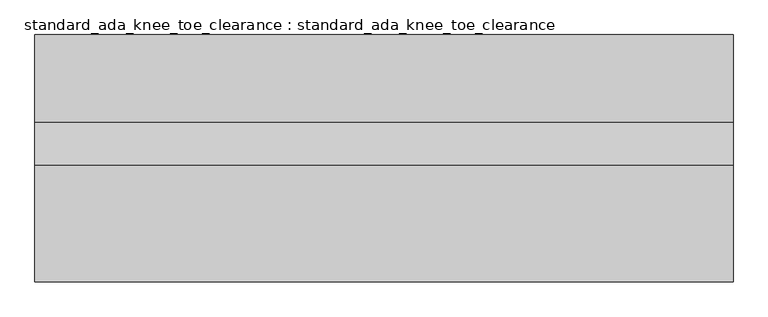
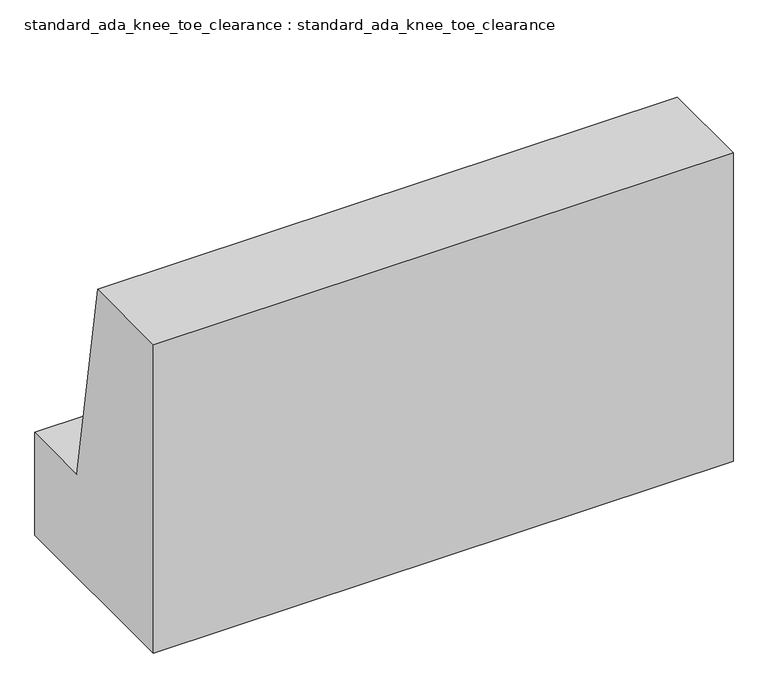
"""IFC4 building model written with IfcOpenShell, lengths in millimetres: proxy geometry, standard_ada_knee_toe_clearance : standard_ada_knee_toe_clearance."""

from ifc_helpers import new_model, si_unit, frame, origin, place, context, project, spatial, polyline, outline, extrude, source, transform, mapped, element, save


def standard_ada_knee_toe_clearance_standard_ada_knee_toe_bbad1d7d(model_context):
    return source(origin(), model_context, "Body", "SweptSolid", [
        extrude(outline(polyline([(0.0, 228.6), (0.0, 0.0), (-431.8, 0.0), (-431.8, 685.8), (-228.6, 685.8), (-152.4, 228.6), (0.0, 228.6)])), frame((-609.6, 0.0, 0.0), z_axis=(1.0, 0.0, 0.0), x_axis=(0.0, 1.0, 0.0)), (0.0, 0.0, 1.0), 1219.2),
    ])


if __name__ == "__main__":
    model = new_model("IFC4")
    model_context = context("Model", 3, world=origin())
    ifc_project = project(units=[si_unit("LENGTHUNIT", "METRE", prefix="MILLI")], contexts=[model_context])
    site = spatial("IfcSite", under=ifc_project)
    building = spatial("IfcBuilding", under=site)
    placement = place(None, origin())
    standard_ada_knee_toe_clearance_standard_ada_knee_toe_shape = standard_ada_knee_toe_clearance_standard_ada_knee_toe_bbad1d7d(model_context)
    element("IfcBuildingElementProxy", 1, Name="standard_ada_knee_toe_clearance : standard_ada_knee_toe_clearance", ObjectType="standard_ada_knee_toe_clearance : standard_ada_knee_toe_clearance", at=placement, inside=building, context=model_context, shape_type="MappedRepresentation", body=[
        mapped(standard_ada_knee_toe_clearance_standard_ada_knee_toe_shape, transform((0.0, 0.0, 0.0), x_axis=(1.0, 0.0, 0.0), y_axis=(0.0, 1.0, 0.0), z_axis=(0.0, 0.0, 1.0))),
    ])
    save(model, "model.ifc")
